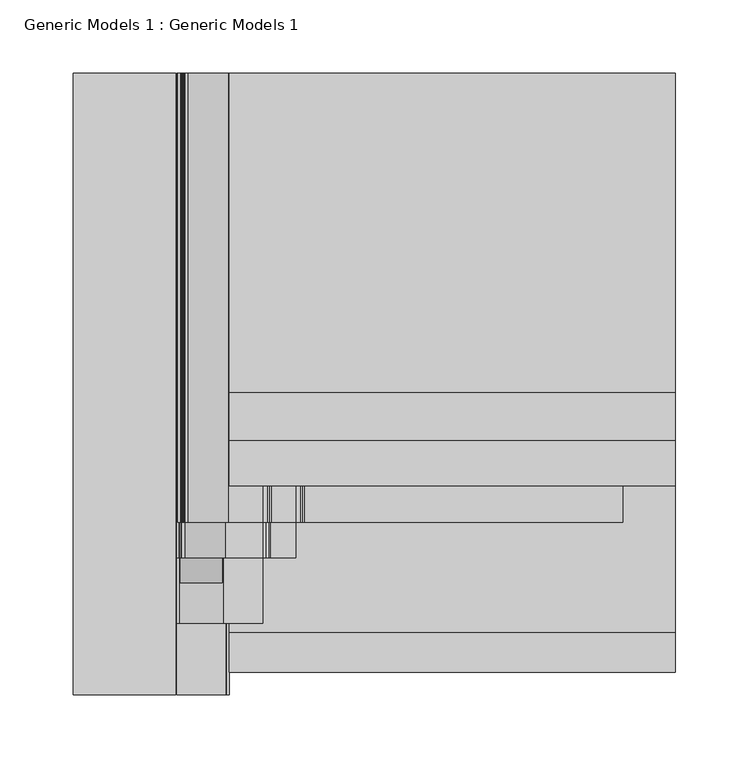
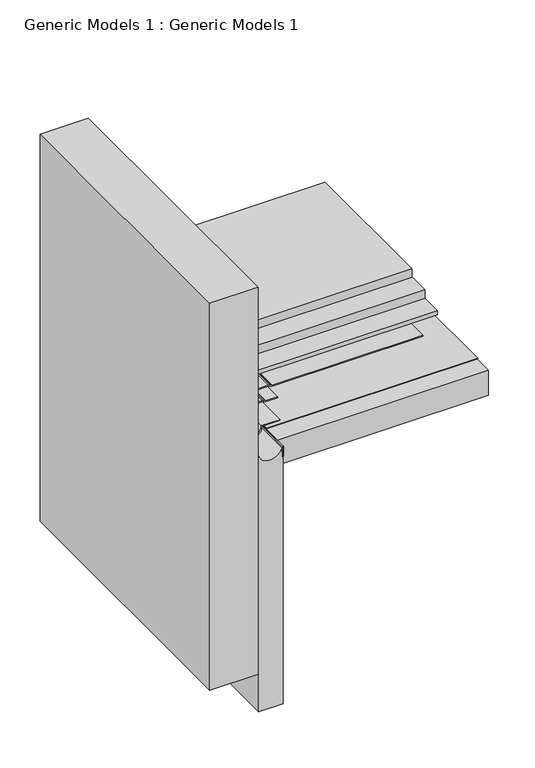
"""IFC4 building model written with IfcOpenShell, lengths in millimetres: proxy geometry, Generic Models 1 : Generic Models 1."""

from ifc_helpers import new_model, si_unit, point, frame, frame_2d, origin, place, context, project, spatial, polyline, circle_curve, trimmed, segment, composite_curve, outline, extrude, source, transform, mapped, element, save


def generic_models_1_generic_models_1_a91a157e(model_context):
    return source(origin(), model_context, "Body", "SweptSolid", [
        extrude(outline(polyline([(80.9625, 393.8469389), (385.7625, 393.8469389), (385.7625, 175.9639104), (80.9625, 175.9639104), (80.9625, 393.8469389)])), frame((0.0, 0.0, 392.5198839), z_axis=(0.0, 0.0, 1.0), x_axis=(1.0, 0.0, 0.0)), (0.0, 0.0, 1.0), 12.7),
        extrude(outline(polyline([(80.9625, 393.8469389), (385.7625, 393.8469389), (385.7625, 143.438991), (80.9625, 143.438991), (80.9625, 393.8469389)])), frame((0.0, 0.0, 379.8198839), z_axis=(0.0, 0.0, 1.0), x_axis=(1.0, 0.0, 0.0)), (0.0, 0.0, 1.0), 12.7),
        extrude(outline(polyline([(80.9625, 393.8469389), (385.7625, 393.8469389), (385.7625, 112.3220187), (80.9625, 112.3220187), (80.9625, 393.8469389)])), frame((0.0, 0.0, 373.4698839), z_axis=(0.0, 0.0, 1.0), x_axis=(1.0, 0.0, 0.0)), (0.0, 0.0, 1.0), 6.35),
        extrude(outline(polyline([(80.9625, 393.8469389), (385.7625, 393.8469389), (385.7625, -15.1880793), (80.9625, -15.1880793), (80.9625, 393.8469389)])), frame((0.0, 0.0, 328.1998414), z_axis=(0.0, 0.0, 1.0), x_axis=(1.0, 0.0, 0.0)), (0.0, 0.0, 1.0), 38.1),
        extrude(outline(composite_curve([segment(polyline([(371.8823839, 79.2100655), (371.8823839, 104.0711194)]), True, "CONTINUOUS"), segment(trimmed(circle_curve(frame_2d((366.3261339, 104.0711194)), 5.55625), [point((371.8823839, 104.0711194))], [point((371.3618066, 106.4192922))], True, "CARTESIAN"), True, "CONTINUOUS"), segment(polyline([(371.3618066, 106.4192922), (370.7148005, 107.8068011)]), True, "CONTINUOUS"), segment(trimmed(circle_curve(frame_2d((375.0310914, 109.8195206)), 4.7625), [point((370.7148005, 107.8068011))], [point((370.2685914, 109.8195206))], False, "CARTESIAN"), True, "CONTINUOUS"), segment(polyline([(370.2685914, 109.8195206), (370.2685914, 126.4920393)]), True, "CONTINUOUS"), segment(trimmed(circle_curve(frame_2d((364.7123414, 126.4920393)), 5.55625), [point((370.2685914, 126.4920393))], [point((369.748014, 128.840212))], True, "CARTESIAN"), True, "CONTINUOUS"), segment(polyline([(369.748014, 128.840212), (369.101008, 130.227721)]), True, "CONTINUOUS"), segment(trimmed(circle_curve(frame_2d((373.4172988, 132.2404405)), 4.7625), [point((369.101008, 130.227721))], [point((368.6547988, 132.2404405))], False, "CARTESIAN"), True, "CONTINUOUS"), segment(polyline([(368.6547988, 132.2404405), (368.6547988, 349.9692558), (370.2422988, 349.9692558), (370.2422988, 132.2404405)]), True, "CONTINUOUS"), segment(trimmed(circle_curve(frame_2d((373.4172988, 132.2404405)), 3.175), [point((370.2422988, 132.2404405))], [point((370.5397716, 130.8986275))], True, "CARTESIAN"), True, "CONTINUOUS"), segment(polyline([(370.5397716, 130.8986275), (371.1867776, 129.5111185)]), True, "CONTINUOUS"), segment(trimmed(circle_curve(frame_2d((364.7123414, 126.4920393)), 7.14375), [point((371.1867776, 129.5111185))], [point((371.8560914, 126.4920393))], False, "CARTESIAN"), True, "CONTINUOUS"), segment(polyline([(371.8560914, 126.4920393), (371.8560914, 109.8195206)]), True, "CONTINUOUS"), segment(trimmed(circle_curve(frame_2d((375.0310914, 109.8195206)), 3.175), [point((371.8560914, 109.8195206))], [point((372.1535641, 108.4777076))], True, "CARTESIAN"), True, "CONTINUOUS"), segment(polyline([(372.1535641, 108.4777076), (372.8005702, 107.0901987)]), True, "CONTINUOUS"), segment(trimmed(circle_curve(frame_2d((366.3261339, 104.0711194)), 7.14375), [point((372.8005702, 107.0901987))], [point((373.4698839, 104.0711194))], False, "CARTESIAN"), True, "CONTINUOUS"), segment(polyline([(373.4698839, 104.0711194), (373.4698839, 80.5416976)]), True, "CONTINUOUS"), segment(trimmed(circle_curve(frame_2d((369.4879876, 61.9125)), 19.05), [point((373.4698839, 80.5416976))], [point((386.3876302, 53.1201976))], False, "CARTESIAN"), True, "CONTINUOUS"), segment(trimmed(circle_curve(frame_2d((387.7959337, 52.3875057)), 1.5875), [point((386.3876302, 53.1201976))], [point((387.7959337, 50.8000057))], True, "CARTESIAN"), True, "CONTINUOUS"), segment(polyline([(387.7959337, 50.8000057), (396.7434379, 50.8000057)]), True, "CONTINUOUS"), segment(trimmed(circle_curve(frame_2d((396.7434379, 43.6562557)), 7.14375), [point((396.7434379, 50.8000057))], [point((399.7625171, 50.130692))], False, "CARTESIAN"), True, "CONTINUOUS"), segment(polyline([(399.7625171, 50.130692), (401.150026, 49.4836859)]), True, "CONTINUOUS"), segment(trimmed(circle_curve(frame_2d((402.491839, 52.3612132)), 3.175), [point((401.150026, 49.4836859))], [point((402.491839, 49.1862132))], True, "CARTESIAN"), True, "CONTINUOUS"), segment(polyline([(402.491839, 49.1862132), (419.1643577, 49.1862132)]), True, "CONTINUOUS"), segment(trimmed(circle_curve(frame_2d((419.1643577, 42.0424632)), 7.14375), [point((419.1643577, 49.1862132))], [point((422.183437, 48.5168994))], False, "CARTESIAN"), True, "CONTINUOUS"), segment(polyline([(422.183437, 48.5168994), (423.5709459, 47.8698934)]), True, "CONTINUOUS"), segment(trimmed(circle_curve(frame_2d((424.9127589, 50.7474206)), 3.175), [point((423.5709459, 47.8698934))], [point((424.9127589, 47.5724206))], True, "CARTESIAN"), True, "CONTINUOUS"), segment(polyline([(424.9127589, 47.5724206), (583.3108186, 47.5724206), (583.3108186, 45.9849206), (424.9127589, 45.9849206)]), True, "CONTINUOUS"), segment(trimmed(circle_curve(frame_2d((424.9127589, 50.7474206)), 4.7625), [point((424.9127589, 45.9849206))], [point((422.9000394, 46.4311298))], False, "CARTESIAN"), True, "CONTINUOUS"), segment(polyline([(422.9000394, 46.4311298), (421.5125305, 47.0781358)]), True, "CONTINUOUS"), segment(trimmed(circle_curve(frame_2d((419.1643577, 42.0424632)), 5.55625), [point((421.5125305, 47.0781358))], [point((419.1643577, 47.5987132))], True, "CARTESIAN"), True, "CONTINUOUS"), segment(polyline([(419.1643577, 47.5987132), (402.491839, 47.5987132)]), True, "CONTINUOUS"), segment(trimmed(circle_curve(frame_2d((402.491839, 52.3612132)), 4.7625), [point((402.491839, 47.5987132))], [point((400.4791195, 48.0449223))], False, "CARTESIAN"), True, "CONTINUOUS"), segment(polyline([(400.4791195, 48.0449223), (399.0916106, 48.6919284)]), True, "CONTINUOUS"), segment(trimmed(circle_curve(frame_2d((396.7434379, 43.6562557)), 5.55625), [point((399.0916106, 48.6919284))], [point((396.7434379, 49.2125057))], True, "CARTESIAN"), True, "CONTINUOUS"), segment(polyline([(396.7434379, 49.2125057), (387.7959337, 49.2125057)]), True, "CONTINUOUS"), segment(trimmed(circle_curve(frame_2d((387.7959337, 52.3875057)), 3.175), [point((387.7959337, 49.2125057))], [point((384.9793267, 53.8528895))], False, "CARTESIAN"), True, "CONTINUOUS"), segment(trimmed(circle_curve(frame_2d((369.4879876, 61.9125)), 17.4625), [point((384.9793267, 53.8528895))], [point((371.8823839, 79.2100655))], True, "CARTESIAN"), True, "CONTINUOUS")], self_intersect=False)), frame((0.0, 87.3730793, 0.0), z_axis=(0.0, 1.0, 0.0), x_axis=(0.0, 0.0, 1.0)), (0.0, 0.0, 1.0), 306.4738597),
        extrude(outline(composite_curve([segment(polyline([(371.0886339, 104.0711194), (371.0886339, 78.5042196)]), True, "CONTINUOUS"), segment(trimmed(circle_curve(frame_2d((369.4879876, 61.9125)), 16.66875), [point((371.0886339, 78.5042196))], [point((382.1240612, 51.0415813))], False, "CARTESIAN"), True, "CONTINUOUS"), segment(trimmed(circle_curve(frame_2d((383.3274967, 50.0062557)), 1.5875), [point((382.1240612, 51.0415813))], [point((383.3274967, 48.4187557))], True, "CARTESIAN"), True, "CONTINUOUS"), segment(polyline([(383.3274967, 48.4187557), (396.5785091, 48.4187557)]), True, "CONTINUOUS"), segment(trimmed(circle_curve(frame_2d((396.5785091, 43.6562557)), 4.7625), [point((396.5785091, 48.4187557))], [point((398.5912286, 47.9725466))], False, "CARTESIAN"), True, "CONTINUOUS"), segment(polyline([(398.5912286, 47.9725466), (400.4571868, 47.1024359)]), True, "CONTINUOUS"), segment(trimmed(circle_curve(frame_2d((401.7989998, 49.9799632)), 3.175), [point((400.4571868, 47.1024359))], [point((401.7989998, 46.8049632))], True, "CARTESIAN"), True, "CONTINUOUS"), segment(polyline([(401.7989998, 46.8049632), (418.999429, 46.8049632), (418.999429, 45.2174632), (401.7989998, 45.2174632)]), True, "CONTINUOUS"), segment(trimmed(circle_curve(frame_2d((401.7989998, 49.9799632)), 4.7625), [point((401.7989998, 45.2174632))], [point((399.7862803, 45.6636723))], False, "CARTESIAN"), True, "CONTINUOUS"), segment(polyline([(399.7862803, 45.6636723), (397.9203221, 46.533783)]), True, "CONTINUOUS"), segment(trimmed(circle_curve(frame_2d((396.5785091, 43.6562557)), 3.175), [point((397.9203221, 46.533783))], [point((396.5785091, 46.8312557))], True, "CARTESIAN"), True, "CONTINUOUS"), segment(polyline([(396.5785091, 46.8312557), (383.3274967, 46.8312557)]), True, "CONTINUOUS"), segment(trimmed(circle_curve(frame_2d((383.3274967, 50.0062557)), 3.175), [point((383.3274967, 46.8312557))], [point((380.9206256, 52.0769069))], False, "CARTESIAN"), True, "CONTINUOUS"), segment(trimmed(circle_curve(frame_2d((369.4879876, 61.9125)), 15.08125), [point((380.9206256, 52.0769069))], [point((369.5011339, 76.9937443))], True, "CARTESIAN"), True, "CONTINUOUS"), segment(polyline([(369.5011339, 76.9937443), (369.5011339, 104.0711194)]), True, "CONTINUOUS"), segment(trimmed(circle_curve(frame_2d((366.3261339, 104.0711194)), 3.175), [point((369.5011339, 104.0711194))], [point((369.2036612, 105.4129324))], True, "CARTESIAN"), True, "CONTINUOUS"), segment(polyline([(369.2036612, 105.4129324), (368.3335505, 107.2788907)]), True, "CONTINUOUS"), segment(trimmed(circle_curve(frame_2d((372.6498414, 109.2916102)), 4.7625), [point((368.3335505, 107.2788907))], [point((367.8873414, 109.2916102))], False, "CARTESIAN"), True, "CONTINUOUS"), segment(polyline([(367.8873414, 109.2916102), (367.8873414, 126.4920393), (369.4748414, 126.4920393), (369.4748414, 109.2916102)]), True, "CONTINUOUS"), segment(trimmed(circle_curve(frame_2d((372.6498414, 109.2916102)), 3.175), [point((369.4748414, 109.2916102))], [point((369.7723141, 107.9497972))], True, "CARTESIAN"), True, "CONTINUOUS"), segment(polyline([(369.7723141, 107.9497972), (370.6424248, 106.0838389)]), True, "CONTINUOUS"), segment(trimmed(circle_curve(frame_2d((366.3261339, 104.0711194)), 4.7625), [point((370.6424248, 106.0838389))], [point((371.0886339, 104.0711194))], False, "CARTESIAN"), True, "CONTINUOUS")], self_intersect=False)), frame((0.0, 62.966143, 0.0), z_axis=(0.0, 1.0, 0.0), x_axis=(0.0, 0.0, 1.0)), (0.0, 0.0, 1.0), 330.8807959),
        extrude(outline(composite_curve([segment(trimmed(circle_curve(frame_2d((369.4879876, 61.9125)), 14.2875), [point((369.4879876, 47.625))], [point((369.4879876, 76.2))], False, "CARTESIAN"), True, "CONTINUOUS"), segment(trimmed(circle_curve(frame_2d((369.4879876, 61.9125)), 14.2875), [point((369.4879876, 76.2))], [point((369.4879876, 47.625))], False, "CARTESIAN"), True, "CONTINUOUS")], self_intersect=False)), frame((0.0, 45.9883001, 0.0), z_axis=(0.0, 1.0, 0.0), x_axis=(0.0, 0.0, 1.0)), (0.0, 0.0, 1.0), 347.8586389),
        extrude(outline(polyline([(79.375, 393.8469389), (80.9625, 393.8469389), (80.9625, -30.4208852), (79.375, -30.4208852), (79.375, 393.8469389)])), frame((0.0, 0.0, 351.2118848), z_axis=(0.0, 0.0, 1.0), x_axis=(1.0, 0.0, 0.0)), (0.0, 0.0, 1.0), 15.0879565),
        extrude(outline(polyline([(80.9625, 393.8469389), (385.7625, 393.8469389), (385.7625, 12.1737536), (80.9625, 12.1737536), (80.9625, 393.8469389)])), frame((0.0, 0.0, 367.0935914), z_axis=(0.0, 0.0, 1.0), x_axis=(1.0, 0.0, 0.0)), (0.0, 0.0, 1.0), 0.79375),
        extrude(outline(composite_curve([segment(polyline([(364.2830208, 45.24375), (-25.7392111, 45.24375), (-25.7392111, 80.16875), (350.4181348, 80.16875), (350.4181348, 78.58125), (364.2830208, 78.58125)]), True, "CONTINUOUS"), segment(trimmed(circle_curve(frame_2d((369.4879876, 61.9125)), 17.4625), [point((364.2830208, 78.58125))], [point((364.2830208, 45.24375))], True, "CARTESIAN"), True, "CONTINUOUS")], self_intersect=False)), frame((0.0, -30.4208852, 0.0), z_axis=(0.0, 1.0, 0.0), x_axis=(0.0, 0.0, 1.0)), (0.0, 0.0, 1.0), 424.2678241),
        extrude(outline(composite_curve([segment(polyline([(367.8873414, 103.98125), (369.4748414, 103.98125), (369.4748414, 76.9937443)]), True, "CONTINUOUS"), segment(trimmed(circle_curve(frame_2d((369.4879876, 61.9125)), 15.08125), [point((369.4748414, 76.9937443))], [point((369.4879876, 46.83125))], True, "CARTESIAN"), True, "CONTINUOUS"), segment(polyline([(369.4879876, 46.83125), (395.6144945, 46.83125), (395.6144945, 45.24375), (369.4879876, 45.24375)]), True, "CONTINUOUS"), segment(trimmed(circle_curve(frame_2d((369.4879876, 61.9125)), 16.66875), [point((369.4879876, 45.24375))], [point((367.8873414, 78.5042196))], False, "CARTESIAN"), True, "CONTINUOUS"), segment(polyline([(367.8873414, 78.5042196), (367.8873414, 103.98125)]), True, "CONTINUOUS")], self_intersect=False)), frame((0.0, 18.3920053, 0.0), z_axis=(0.0, 1.0, 0.0), x_axis=(0.0, 0.0, 1.0)), (0.0, 0.0, 1.0), 375.4549336),
        extrude(outline(polyline([(44.45, -30.4208852), (-25.4, -30.4208852), (-25.4, 393.8469389), (44.45, 393.8469389), (44.45, -30.4208852)])), frame((0.0, 0.0, 31.75), z_axis=(0.0, 0.0, 1.0), x_axis=(1.0, 0.0, 0.0)), (0.0, 0.0, 1.0), 589.9629392),
    ])


if __name__ == "__main__":
    model = new_model("IFC4")
    model_context = context("Model", 3, world=origin())
    ifc_project = project(units=[si_unit("LENGTHUNIT", "METRE", prefix="MILLI")], contexts=[model_context])
    site = spatial("IfcSite", under=ifc_project)
    building = spatial("IfcBuilding", under=site)
    placement = place(None, origin())
    generic_models_1_generic_models_1_shape = generic_models_1_generic_models_1_a91a157e(model_context)
    element("IfcBuildingElementProxy", 1, Name="Generic Models 1 : Generic Models 1", ObjectType="Generic Models 1 : Generic Models 1", at=placement, inside=building, context=model_context, shape_type="MappedRepresentation", body=[
        mapped(generic_models_1_generic_models_1_shape, transform((0.0, 0.0, 0.0), x_axis=(1.0, 0.0, 0.0), y_axis=(0.0, 1.0, 0.0), z_axis=(0.0, 0.0, 1.0))),
    ])
    save(model, "model.ifc")
